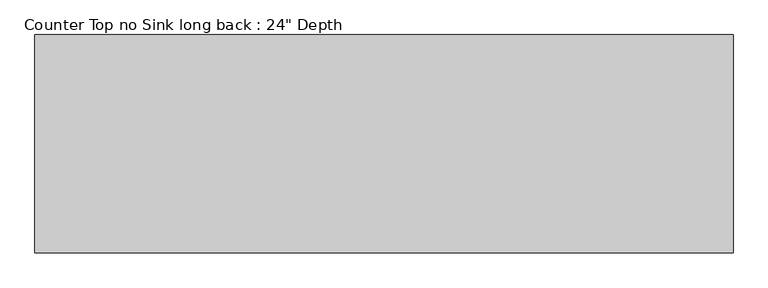
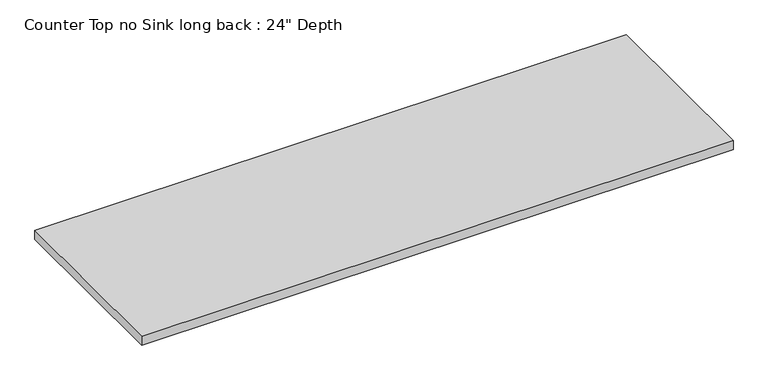
"""IFC4 building model written with IfcOpenShell, lengths in millimetres: furniture geometry."""

from ifc_helpers import new_model, si_unit, frame, origin, place, context, project, spatial, polyline, outline, extrude, source, transform, mapped, element, save


def furniture_b96deb03(model_context):
    return source(origin(), model_context, "Body", "SweptSolid", [
        extrude(outline(polyline([(1237.9377049, 127.0), (1237.9377049, -635.0), (-1200.4622951, -635.0), (-1200.4622951, 127.0), (1237.9377049, 127.0)])), frame((0.0, 0.0, 876.3), z_axis=(0.0, 0.0, 1.0), x_axis=(1.0, 0.0, 0.0)), (0.0, 0.0, 1.0), 38.1),
    ])


if __name__ == "__main__":
    model = new_model("IFC4")
    model_context = context("Model", 3, world=origin())
    ifc_project = project(units=[si_unit("LENGTHUNIT", "METRE", prefix="MILLI")], contexts=[model_context])
    site = spatial("IfcSite", under=ifc_project)
    building = spatial("IfcBuilding", under=site)
    placement = place(None, origin())
    furniture_shape = furniture_b96deb03(model_context)
    element("IfcFurniture", 1, ObjectType="Counter Top no Sink long back : 24\" Depth", at=placement, inside=building, context=model_context, shape_type="MappedRepresentation", body=[
        mapped(furniture_shape, transform((0.0, 0.0, 0.0), x_axis=(1.0, 0.0, 0.0), y_axis=(0.0, 1.0, 0.0), z_axis=(0.0, 0.0, 1.0))),
    ])
    save(model, "model.ifc")
